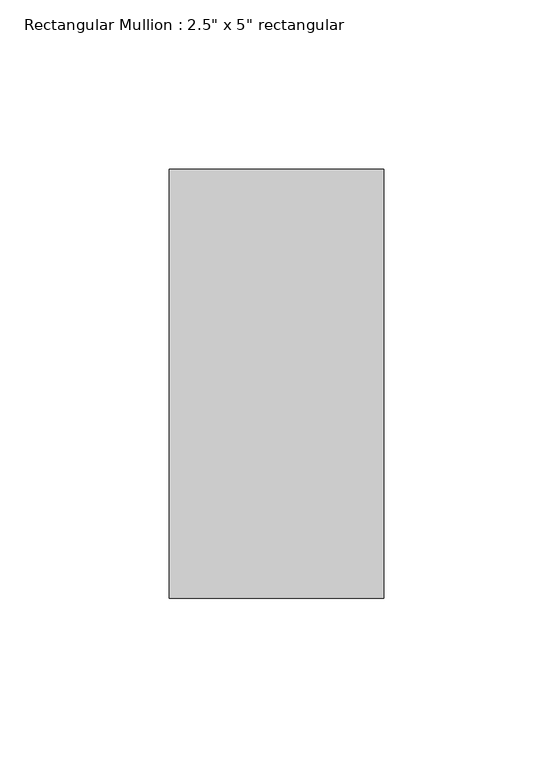
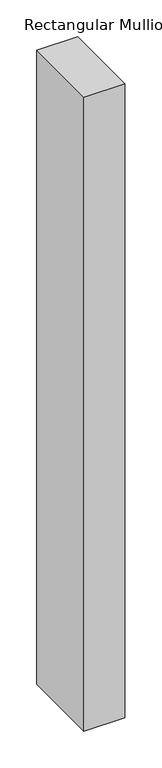
"""IFC4 building model written with IfcOpenShell, lengths in millimetres: member geometry."""

from ifc_helpers import new_model, si_unit, frame, origin, place, context, project, spatial, polyline, outline, extrude, source, transform, mapped, element, save


def member_6475e86b(model_context):
    return source(origin(), model_context, "Body", "SweptSolid", [
        extrude(outline(polyline([(0.0, 63.5), (0.0, -63.5), (-63.5, -63.5), (-63.5, 63.5), (0.0, 63.5)])), frame((0.0, 0.0, -1046.096209), z_axis=(0.0, 0.0, 1.0), x_axis=(1.0, 0.0, 0.0)), (0.0, 0.0, 1.0), 1046.096209),
    ])


if __name__ == "__main__":
    model = new_model("IFC4")
    model_context = context("Model", 3, world=origin())
    ifc_project = project(units=[si_unit("LENGTHUNIT", "METRE", prefix="MILLI")], contexts=[model_context])
    site = spatial("IfcSite", under=ifc_project)
    building = spatial("IfcBuilding", under=site)
    placement = place(None, origin())
    member_shape = member_6475e86b(model_context)
    element("IfcMember", 1, ObjectType="Rectangular Mullion : 2.5\" x 5\" rectangular", at=placement, inside=building, context=model_context, shape_type="MappedRepresentation", body=[
        mapped(member_shape, transform((0.0, 0.0, 0.0), x_axis=(1.0, 0.0, 0.0), y_axis=(0.0, 1.0, 0.0), z_axis=(0.0, 0.0, 1.0))),
    ])
    save(model, "model.ifc")
